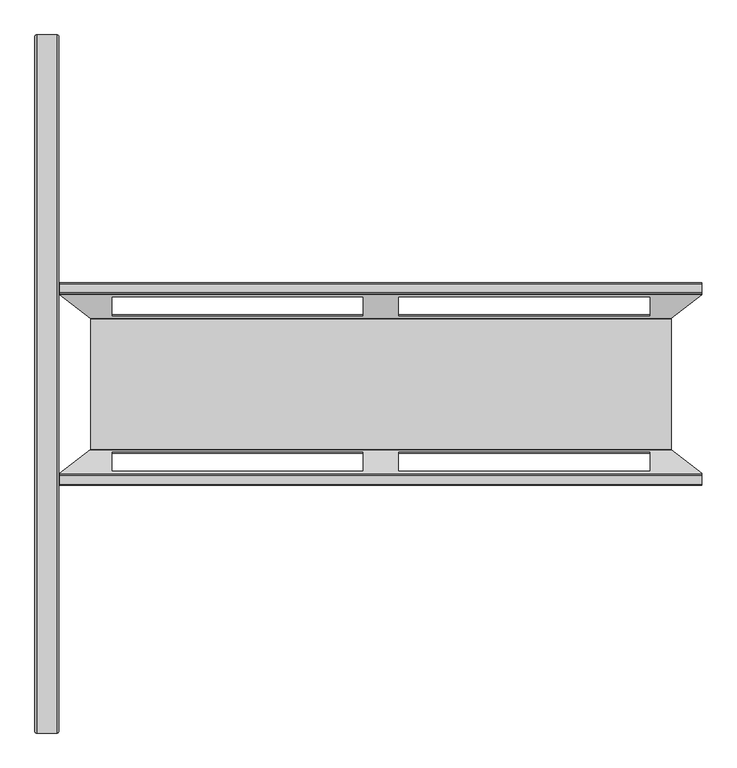
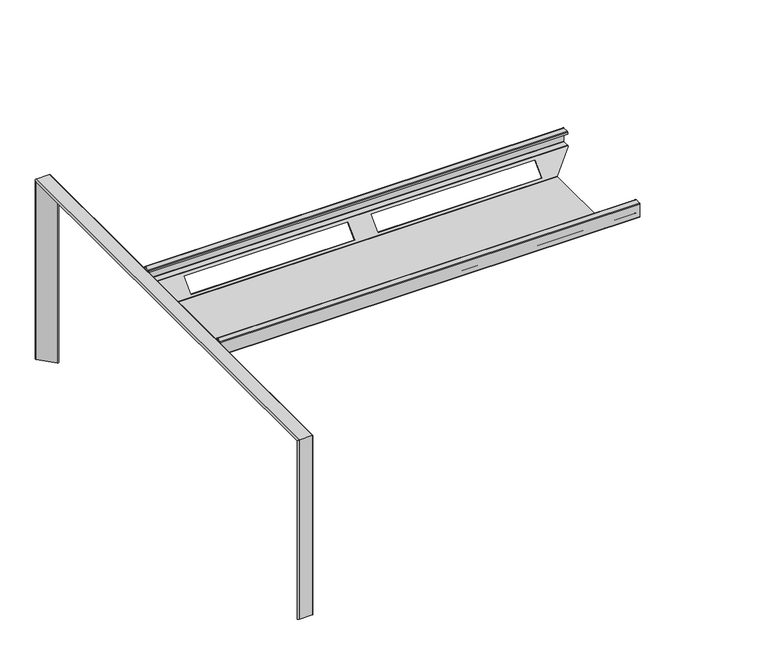
"""IFC4 building model written with IfcOpenShell, lengths in millimetres: furniture geometry."""

from ifc_helpers import new_model, si_unit, frame, origin, place, context, project, spatial, polyline, circle_curve, ellipse_curve, source, transform, mapped, element, save
from ifc_brep_helpers import plane_surface, cylinder_surface, revolved_surface, advanced_brep


def furniture_19140f19(model_context):
    return source(origin(), model_context, "Body", "AdvancedBrep", [
        advanced_brep(
        [(742.0000291, 209.1698367, 644.4158452), (742.0000291, 209.8769435, 644.7087384), (742.0000291, 231.9627061, 644.7087384), (742.0000291, 234.4627061, 647.2087384), (742.0000291, 234.4627061, 694.7085606), (742.0000291, 231.9625212, 697.2087455), (742.0000291, 211.9508375, 697.2087455), (742.0000291, 209.4628034, 694.7207114), (742.0000291, 209.4628034, 688.2088182), (742.0000291, 211.0628034, 688.2088182), (742.0000291, 211.0628034, 694.7207114), (742.0000291, 211.9508375, 695.6087455), (742.0000291, 231.9625212, 695.6087455), (742.0000291, 232.8627061, 694.7085606), (742.0000291, 232.8627061, 647.2087384), (742.0000291, 231.9627061, 646.3087384), (742.0000291, 209.8769435, 646.3087384), (742.0000291, 208.0384658, 645.5472161), (742.0000291, 206.5203825, 644.0291328), (742.0000291, 208.7831242, 644.0291328), (742.0000291, -207.1384513, 645.5472161), (742.0000291, -208.976929, 646.3087384), (742.0000291, -231.0626916, 646.3087384), (742.0000291, -231.9626916, 647.2087384), (742.0000291, -231.9626916, 694.7085606), (742.0000291, -231.0625067, 695.6087455), (742.0000291, -211.050823, 695.6087455), (742.0000291, -210.1627889, 694.7207114), (742.0000291, -210.1627889, 688.2088182), (742.0000291, -208.5627889, 688.2088182), (742.0000291, -208.5627889, 694.7207114), (742.0000291, -211.050823, 697.2087455), (742.0000291, -231.0625067, 697.2087455), (742.0000291, -233.5626916, 694.7085606), (742.0000291, -233.5626916, 647.2087384), (742.0000291, -231.0626916, 644.7087384), (742.0000291, -208.976929, 644.7087384), (742.0000291, -208.2698222, 644.4158452), (742.0000291, -207.8831097, 644.0291328), (742.0000291, -205.620368, 644.0291328), (-742.0000338, -208.2698222, 644.4158452), (-742.0000338, -208.976929, 644.7087384), (-742.0000338, -231.0626916, 644.7087384), (-742.0000338, -233.5626916, 647.2087384), (-742.0000338, -233.5626916, 694.7085606), (-742.0000338, -231.0625067, 697.2087455), (-742.0000338, -211.050823, 697.2087455), (-742.0000338, -208.5627889, 694.7207114), (-742.0000338, -208.5627889, 688.2088182), (-742.0000338, -210.1627889, 688.2088182), (-742.0000338, -210.1627889, 694.7207114), (-742.0000338, -211.050823, 695.6087455), (-742.0000338, -231.0625067, 695.6087455), (-742.0000338, -231.9626916, 694.7085606), (-742.0000338, -231.9626916, 647.2087384), (-742.0000338, -231.0626916, 646.3087384), (-742.0000338, -208.976929, 646.3087384), (-742.0000338, -207.1384513, 645.5472161), (-742.0000338, -205.620368, 644.0291328), (-742.0000338, -207.8831097, 644.0291328), (-742.0000338, 208.0384658, 645.5472161), (-742.0000338, 209.8769435, 646.3087384), (-742.0000338, 231.9627061, 646.3087384), (-742.0000338, 232.8627061, 647.2087384), (-742.0000338, 232.8627061, 694.7085606), (-742.0000338, 231.9625212, 695.6087455), (-742.0000338, 211.9508375, 695.6087455), (-742.0000338, 211.0628034, 694.7207114), (-742.0000338, 211.0628034, 688.2088182), (-742.0000338, 209.4628034, 688.2088182), (-742.0000338, 209.4628034, 694.7207114), (-742.0000338, 211.9508375, 697.2087455), (-742.0000338, 231.9625212, 697.2087455), (-742.0000338, 234.4627061, 694.7085606), (-742.0000338, 234.4627061, 647.2087384), (-742.0000338, 231.9627061, 644.7087384), (-742.0000338, 209.8769435, 644.7087384), (-742.0000338, 209.1698367, 644.4158452), (-742.0000338, 208.7831242, 644.0291328), (-742.0000338, 206.5203825, 644.0291328), (669.1959413, -150.5324381, 587.7087715), (-669.1959459, -150.5324381, 587.7087715), (-669.1959459, 151.4324526, 587.7087715), (669.1959413, 151.4324526, 587.7087715), (-670.1377129, 153.1913025, 588.437311), (670.1377082, 153.1913025, 588.437311), (-621.5000006, 203.1594941, 638.4055027), (-621.5000006, 160.2660683, 595.5120769), (-41.4999934, 160.2660683, 595.5120769), (-41.4999934, 203.1594941, 638.4055027), (41.4999888, 160.2660683, 595.5120769), (621.4999959, 160.2660683, 595.5120769), (621.4999959, 203.1594941, 638.4055027), (41.4999888, 203.1594941, 638.4055027), (-671.6428472, 152.0929145, 589.6016648), (671.6428426, 152.0929145, 589.6016648), (-621.5000006, 158.0033266, 595.5120769), (-621.5000006, 200.8967524, 638.4055027), (-41.4999934, 200.8967524, 638.4055027), (-41.4999934, 158.0033266, 595.5120769), (621.4999959, 158.0033266, 595.5120769), (41.4999888, 158.0033266, 595.5120769), (41.4999888, 200.8967524, 638.4055027), (621.4999959, 200.8967524, 638.4055027), (-671.2642306, 151.3858077, 589.3087715), (671.264226, 151.3858077, 589.3087715), (-671.2642306, -150.4857933, 589.3087715), (671.264226, -150.4857933, 589.3087715), (-671.6428472, -151.1929, 589.6016648), (671.6428426, -151.1929, 589.6016648), (-621.5000006, -199.9967379, 638.4055027), (-621.5000006, -157.1033121, 595.5120769), (-41.4999934, -157.1033121, 595.5120769), (-41.4999934, -199.9967379, 638.4055027), (41.4999888, -157.1033121, 595.5120769), (621.4999959, -157.1033121, 595.5120769), (621.4999959, -199.9967379, 638.4055027), (41.4999888, -199.9967379, 638.4055027), (-670.1377129, -152.291288, 588.437311), (670.1377082, -152.291288, 588.437311), (-621.5000006, -159.3660538, 595.5120769), (-621.5000006, -202.2594796, 638.4055027), (-41.4999934, -202.2594796, 638.4055027), (-41.4999934, -159.3660538, 595.5120769), (621.4999959, -159.3660538, 595.5120769), (41.4999888, -159.3660538, 595.5120769), (41.4999888, -202.2594796, 638.4055027), (621.4999959, -202.2594796, 638.4055027)],
        [
            (0, 1, circle_curve(frame((742.0000291, 209.8769435, 643.7087384), z_axis=(-1.0, 0.0, 0.0), x_axis=(0.0, 1.0, 0.0)), 1.0)),
            (1, 2),
            (2, 3, circle_curve(frame((742.0000291, 231.9627061, 647.2087384), z_axis=(1.0, 0.0, 0.0), x_axis=(0.0, 1.0, 0.0)), 2.5)),
            (3, 4),
            (4, 5, circle_curve(frame((742.0000291, 231.9625212, 694.7085606), z_axis=(1.0, 0.0, 0.0), x_axis=(0.0, 1.0, 0.0)), 2.5001849)),
            (5, 6),
            (6, 7, circle_curve(frame((742.0000291, 211.9508375, 694.7207114), z_axis=(1.0, 0.0, 0.0), x_axis=(0.0, 1.0, 0.0)), 2.4880341)),
            (7, 8),
            (8, 9),
            (9, 10),
            (10, 11, circle_curve(frame((742.0000291, 211.9508375, 694.7207114), z_axis=(-1.0, 0.0, 0.0), x_axis=(0.0, 1.0, 0.0)), 0.8880341)),
            (11, 12),
            (12, 13, circle_curve(frame((742.0000291, 231.9625212, 694.7085606), z_axis=(-1.0, 0.0, 0.0), x_axis=(0.0, 1.0, 0.0)), 0.9001849)),
            (13, 14),
            (14, 15, circle_curve(frame((742.0000291, 231.9627061, 647.2087384), z_axis=(-1.0, 0.0, 0.0), x_axis=(0.0, 1.0, 0.0)), 0.9)),
            (15, 16),
            (16, 17, circle_curve(frame((742.0000291, 209.8769435, 643.7087384), z_axis=(1.0, 0.0, 0.0), x_axis=(0.0, 1.0, 0.0)), 2.6)),
            (17, 18),
            (18, 19),
            (19, 0),
            (20, 21, circle_curve(frame((742.0000291, -208.976929, 643.7087384), z_axis=(1.0, 0.0, 0.0), x_axis=(0.0, 1.0, 0.0)), 2.6)),
            (21, 22),
            (22, 23, circle_curve(frame((742.0000291, -231.0626916, 647.2087384), z_axis=(-1.0, 0.0, 0.0), x_axis=(0.0, 1.0, 0.0)), 0.9)),
            (23, 24),
            (24, 25, circle_curve(frame((742.0000291, -231.0625067, 694.7085606), z_axis=(-1.0, 0.0, 0.0), x_axis=(0.0, 1.0, 0.0)), 0.9001849)),
            (25, 26),
            (26, 27, circle_curve(frame((742.0000291, -211.050823, 694.7207114), z_axis=(-1.0, 0.0, 0.0), x_axis=(0.0, 1.0, 0.0)), 0.8880341)),
            (27, 28),
            (28, 29),
            (29, 30),
            (30, 31, circle_curve(frame((742.0000291, -211.050823, 694.7207114), z_axis=(1.0, 0.0, 0.0), x_axis=(0.0, 1.0, 0.0)), 2.4880341)),
            (31, 32),
            (32, 33, circle_curve(frame((742.0000291, -231.0625067, 694.7085606), z_axis=(1.0, 0.0, 0.0), x_axis=(0.0, 1.0, 0.0)), 2.5001849)),
            (33, 34),
            (34, 35, circle_curve(frame((742.0000291, -231.0626916, 647.2087384), z_axis=(1.0, 0.0, 0.0), x_axis=(0.0, 1.0, 0.0)), 2.5)),
            (35, 36),
            (36, 37, circle_curve(frame((742.0000291, -208.976929, 643.7087384), z_axis=(-1.0, 0.0, 0.0), x_axis=(0.0, 1.0, 0.0)), 1.0)),
            (37, 38),
            (38, 39),
            (39, 20),
            (40, 41, circle_curve(frame((-742.0000338, -208.976929, 643.7087384), z_axis=(1.0, 0.0, 0.0), x_axis=(0.0, 1.0, 0.0)), 1.0)),
            (41, 42),
            (42, 43, circle_curve(frame((-742.0000338, -231.0626916, 647.2087384), z_axis=(-1.0, 0.0, 0.0), x_axis=(0.0, 1.0, 0.0)), 2.5)),
            (43, 44),
            (44, 45, circle_curve(frame((-742.0000338, -231.0625067, 694.7085606), z_axis=(-1.0, 0.0, 0.0), x_axis=(0.0, 1.0, 0.0)), 2.5001849)),
            (45, 46),
            (46, 47, circle_curve(frame((-742.0000338, -211.050823, 694.7207114), z_axis=(-1.0, 0.0, 0.0), x_axis=(0.0, 1.0, 0.0)), 2.4880341)),
            (47, 48),
            (48, 49),
            (49, 50),
            (50, 51, circle_curve(frame((-742.0000338, -211.050823, 694.7207114), z_axis=(1.0, 0.0, 0.0), x_axis=(0.0, 1.0, 0.0)), 0.8880341)),
            (51, 52),
            (52, 53, circle_curve(frame((-742.0000338, -231.0625067, 694.7085606), z_axis=(1.0, 0.0, 0.0), x_axis=(0.0, 1.0, 0.0)), 0.9001849)),
            (53, 54),
            (54, 55, circle_curve(frame((-742.0000338, -231.0626916, 647.2087384), z_axis=(1.0, 0.0, 0.0), x_axis=(0.0, 1.0, 0.0)), 0.9)),
            (55, 56),
            (56, 57, circle_curve(frame((-742.0000338, -208.976929, 643.7087384), z_axis=(-1.0, 0.0, 0.0), x_axis=(0.0, 1.0, 0.0)), 2.6)),
            (57, 58),
            (58, 59),
            (59, 40),
            (60, 61, circle_curve(frame((-742.0000338, 209.8769435, 643.7087384), z_axis=(-1.0, 0.0, 0.0), x_axis=(0.0, 1.0, 0.0)), 2.6)),
            (61, 62),
            (62, 63, circle_curve(frame((-742.0000338, 231.9627061, 647.2087384), z_axis=(1.0, 0.0, 0.0), x_axis=(0.0, 1.0, 0.0)), 0.9)),
            (63, 64),
            (64, 65, circle_curve(frame((-742.0000338, 231.9625212, 694.7085606), z_axis=(1.0, 0.0, 0.0), x_axis=(0.0, 1.0, 0.0)), 0.9001849)),
            (65, 66),
            (66, 67, circle_curve(frame((-742.0000338, 211.9508375, 694.7207114), z_axis=(1.0, 0.0, 0.0), x_axis=(0.0, 1.0, 0.0)), 0.8880341)),
            (67, 68),
            (68, 69),
            (69, 70),
            (70, 71, circle_curve(frame((-742.0000338, 211.9508375, 694.7207114), z_axis=(-1.0, 0.0, 0.0), x_axis=(0.0, 1.0, 0.0)), 2.4880341)),
            (71, 72),
            (72, 73, circle_curve(frame((-742.0000338, 231.9625212, 694.7085606), z_axis=(-1.0, 0.0, 0.0), x_axis=(0.0, 1.0, 0.0)), 2.5001849)),
            (73, 74),
            (74, 75, circle_curve(frame((-742.0000338, 231.9627061, 647.2087384), z_axis=(-1.0, 0.0, 0.0), x_axis=(0.0, 1.0, 0.0)), 2.5)),
            (75, 76),
            (76, 77, circle_curve(frame((-742.0000338, 209.8769435, 643.7087384), z_axis=(1.0, 0.0, 0.0), x_axis=(0.0, 1.0, 0.0)), 1.0)),
            (77, 78),
            (78, 79),
            (79, 60),
            (80, 81),
            (81, 82),
            (82, 83),
            (83, 80),
            (82, 84, ellipse_curve(frame((-672.4113394, 151.4324526, 590.196161), z_axis=(0.6118736301156549, 0.0, 0.7909555365310309), x_axis=(0.7909555365310308, 0.0, -0.611873630115655)), 4.0652013, 2.4873895)),
            (84, 85),
            (85, 83, ellipse_curve(frame((672.4113347, 151.4324526, 590.196161), z_axis=(-0.6118736301156339, 0.0, 0.790955536531047), x_axis=(0.7909555365310468, 0.0, 0.6118736301156339)), 4.0652013, 2.4873895)),
            (77, 0),
            (19, 85),
            (84, 78),
            (86, 87),
            (87, 88),
            (88, 89),
            (89, 86),
            (90, 91),
            (91, 92),
            (92, 93),
            (93, 90),
            (76, 1),
            (75, 2),
            (74, 3),
            (73, 4),
            (72, 5),
            (71, 6),
            (70, 7),
            (69, 8),
            (68, 9),
            (67, 10),
            (66, 11),
            (65, 12),
            (64, 13),
            (63, 14),
            (62, 15),
            (61, 16),
            (60, 17),
            (79, 94),
            (94, 95),
            (95, 18),
            (96, 97),
            (97, 98),
            (98, 99),
            (99, 96),
            (100, 101),
            (101, 102),
            (102, 103),
            (103, 100),
            (94, 104, ellipse_curve(frame((-672.5569085, 151.3858077, 590.3087715), z_axis=(-0.6118736301156549, 0.0, -0.7909555365310309), x_axis=(-0.7909555365310308, 0.0, 0.611873630115655)), 1.6343244, 1.0)),
            (104, 105),
            (105, 95, ellipse_curve(frame((672.5569039, 151.3858077, 590.3087715), z_axis=(0.6118736301156339, 0.0, -0.790955536531047), x_axis=(-0.7909555365310468, 0.0, -0.6118736301156339)), 1.6343244, 1.0)),
            (104, 106),
            (106, 107),
            (107, 105),
            (106, 108, ellipse_curve(frame((-672.5569085, -150.4857933, 590.3087715), z_axis=(-0.6118736301156549, 0.0, -0.7909555365310309), x_axis=(-0.7909555365310308, 0.0, 0.611873630115655)), 1.6343244, 1.0)),
            (108, 109),
            (109, 107, ellipse_curve(frame((672.5569039, -150.4857933, 590.3087715), z_axis=(0.6118736301156339, 0.0, -0.790955536531047), x_axis=(-0.7909555365310468, 0.0, -0.6118736301156339)), 1.6343244, 1.0)),
            (57, 20),
            (39, 109),
            (108, 58),
            (110, 111),
            (111, 112),
            (112, 113),
            (113, 110),
            (114, 115),
            (115, 116),
            (116, 117),
            (117, 114),
            (56, 21),
            (55, 22),
            (54, 23),
            (53, 24),
            (52, 25),
            (51, 26),
            (50, 27),
            (49, 28),
            (48, 29),
            (47, 30),
            (46, 31),
            (45, 32),
            (44, 33),
            (43, 34),
            (42, 35),
            (41, 36),
            (40, 37),
            (59, 118),
            (118, 119),
            (119, 38),
            (120, 121),
            (121, 122),
            (122, 123),
            (123, 120),
            (124, 125),
            (125, 126),
            (126, 127),
            (127, 124),
            (80, 119, ellipse_curve(frame((672.4113347, -150.5324381, 590.196161), z_axis=(-0.6118736301156339, 0.0, 0.790955536531047), x_axis=(0.7909555365310468, 0.0, 0.6118736301156339)), 4.0652013, 2.4873895)),
            (118, 81, ellipse_curve(frame((-672.4113394, -150.5324381, 590.196161), z_axis=(0.6118736301156549, 0.0, 0.7909555365310309), x_axis=(0.7909555365310308, 0.0, -0.611873630115655)), 4.0652013, 2.4873895)),
            (96, 87),
            (86, 97),
            (120, 111),
            (110, 121),
            (89, 98),
            (113, 122),
            (88, 99),
            (112, 123),
            (100, 91),
            (90, 101),
            (124, 115),
            (114, 125),
            (93, 102),
            (117, 126),
            (92, 103),
            (116, 127),
        ],
        [
            plane_surface(frame((742.0000291, 151.4324526, 587.7087715), z_axis=(1.0, 0.0, 0.0), x_axis=(0.0, 1.0, 0.0))),
            plane_surface(frame((-742.0000338, 151.4324526, 587.7087715), z_axis=(-1.0, 0.0, 0.0), x_axis=(0.0, -1.0, 0.0))),
            plane_surface(frame((742.0000291, -150.5324381, 587.7087715), z_axis=(0.0, 0.0, -1.0), x_axis=(-1.0, 0.0, 0.0))),
            cylinder_surface(frame((-742.0000338, 151.4324526, 590.196161), z_axis=(1.0, 0.0, 0.0), x_axis=(0.0, 1.0, 0.0)), 2.4873895),
            plane_surface(frame((742.0000291, 153.1913025, 588.437311), z_axis=(0.0, 0.7071067811865575, -0.7071067811865378), x_axis=(-1.0, 0.0, 0.0))),
            revolved_surface(polyline([(-742.0000338, 210.8769435, 643.7087384), (742.0000291000001, 210.8769435, 643.7087384)]), (-742.0000338, 209.8769435, 643.7087384), (-1.0, 0.0, 0.0)),
            plane_surface(frame((742.0000291, 209.8769435, 644.7087384), z_axis=(0.0, 0.0, -1.0), x_axis=(-1.0, 0.0, 0.0))),
            cylinder_surface(frame((-742.0000338, 231.9627061, 647.2087384), z_axis=(1.0, 0.0, 0.0), x_axis=(0.0, 1.0, 0.0)), 2.5),
            plane_surface(frame((742.0000291, 234.4627061, 647.2087384), z_axis=(0.0, 1.0, 0.0), x_axis=(-1.0, 0.0, 0.0))),
            cylinder_surface(frame((-742.0000338, 231.9625212, 694.7085606), z_axis=(1.0, 0.0, 0.0), x_axis=(0.0, 1.0, 0.0)), 2.5001849),
            plane_surface(frame((742.0000291, 231.9625212, 697.2087455), z_axis=(0.0, 0.0, 1.0), x_axis=(-1.0, 0.0, 0.0))),
            cylinder_surface(frame((-742.0000338, 211.9508375, 694.7207114), z_axis=(1.0, 0.0, 0.0), x_axis=(0.0, 1.0, 0.0)), 2.4880341),
            plane_surface(frame((742.0000291, 209.4628034, 694.7207114), z_axis=(0.0, -1.0, 0.0), x_axis=(-1.0, 0.0, 0.0))),
            plane_surface(frame((742.0000291, 209.4628034, 688.2088182), z_axis=(0.0, 0.0, -1.0), x_axis=(-1.0, 0.0, 0.0))),
            plane_surface(frame((742.0000291, 211.0628034, 688.2088182), z_axis=(0.0, 1.0, 0.0), x_axis=(-1.0, 0.0, 0.0))),
            revolved_surface(polyline([(-742.0000338, 212.8388716, 694.7207114), (742.0000291000001, 212.8388716, 694.7207114)]), (-742.0000338, 211.9508375, 694.7207114), (-1.0, 0.0, 0.0)),
            plane_surface(frame((742.0000291, 211.9508375, 695.6087455), z_axis=(0.0, 0.0, -1.0), x_axis=(-1.0, 0.0, 0.0))),
            revolved_surface(polyline([(-742.0000338, 232.8627061, 694.7085606), (742.0000291000001, 232.8627061, 694.7085606)]), (-742.0000338, 231.9625212, 694.7085606), (-1.0, 0.0, 0.0)),
            plane_surface(frame((742.0000291, 232.8627061, 694.7085606), z_axis=(0.0, -1.0, 0.0), x_axis=(-1.0, 0.0, 0.0))),
            revolved_surface(polyline([(-742.0000338, 232.8627061, 647.2087384), (742.0000291000001, 232.8627061, 647.2087384)]), (-742.0000338, 231.9627061, 647.2087384), (-1.0, 0.0, 0.0)),
            plane_surface(frame((742.0000291, 231.9627061, 646.3087384), z_axis=(0.0, 0.0, 1.0), x_axis=(-1.0, 0.0, 0.0))),
            cylinder_surface(frame((-742.0000338, 209.8769435, 643.7087384), z_axis=(1.0, 0.0, 0.0), x_axis=(0.0, 1.0, 0.0)), 2.6),
            plane_surface(frame((742.0000291, 208.0384658, 645.5472161), z_axis=(0.0, -0.7071067811865486, 0.7071067811865465), x_axis=(-1.0, 0.0, 0.0))),
            revolved_surface(polyline([(-673.8495864326677, 152.3858077, 590.3087715), (673.8495818326678, 152.3858077, 590.3087715)]), (-742.0000338, 151.3858077, 590.3087715), (-1.0, 0.0, 0.0)),
            plane_surface(frame((742.0000291, 151.3858077, 589.3087715), z_axis=(0.0, 0.0, 1.0), x_axis=(-1.0, 0.0, 0.0))),
            revolved_surface(polyline([(-673.8495864326677, -149.4857933, 590.3087715), (673.8495818326678, -149.4857933, 590.3087715)]), (-742.0000338, -150.4857933, 590.3087715), (-1.0, 0.0, 0.0)),
            plane_surface(frame((742.0000291, -151.1929, 589.6016648), z_axis=(0.0, 0.7071067811865677, 0.7071067811865275), x_axis=(-1.0, 0.0, 0.0))),
            cylinder_surface(frame((-742.0000338, -208.976929, 643.7087384), z_axis=(1.0, 0.0, 0.0), x_axis=(0.0, 1.0, 0.0)), 2.6),
            plane_surface(frame((742.0000291, -208.976929, 646.3087384), z_axis=(0.0, 0.0, 1.0), x_axis=(-1.0, 0.0, 0.0))),
            revolved_surface(polyline([(-742.0000338, -230.1626916, 647.2087384), (742.0000291000001, -230.1626916, 647.2087384)]), (-742.0000338, -231.0626916, 647.2087384), (-1.0, 0.0, 0.0)),
            plane_surface(frame((742.0000291, -231.9626916, 647.2087384), z_axis=(0.0, 1.0, 0.0), x_axis=(-1.0, 0.0, 0.0))),
            revolved_surface(polyline([(-742.0000338, -230.1623218, 694.7085606), (742.0000291000001, -230.1623218, 694.7085606)]), (-742.0000338, -231.0625067, 694.7085606), (-1.0, 0.0, 0.0)),
            plane_surface(frame((742.0000291, -231.0625067, 695.6087455), z_axis=(0.0, 0.0, -1.0), x_axis=(-1.0, 0.0, 0.0))),
            revolved_surface(polyline([(-742.0000338, -210.1627889, 694.7207114), (742.0000291000001, -210.1627889, 694.7207114)]), (-742.0000338, -211.050823, 694.7207114), (-1.0, 0.0, 0.0)),
            plane_surface(frame((742.0000291, -210.1627889, 694.7207114), z_axis=(0.0, -1.0, 0.0), x_axis=(-1.0, 0.0, 0.0))),
            plane_surface(frame((742.0000291, -210.1627889, 688.2088182), z_axis=(0.0, 0.0, -1.0), x_axis=(-1.0, 0.0, 0.0))),
            plane_surface(frame((742.0000291, -208.5627889, 688.2088182), z_axis=(0.0, 1.0, 0.0), x_axis=(-1.0, 0.0, 0.0))),
            cylinder_surface(frame((-742.0000338, -211.050823, 694.7207114), z_axis=(1.0, 0.0, 0.0), x_axis=(0.0, 1.0, 0.0)), 2.4880341),
            plane_surface(frame((742.0000291, -211.050823, 697.2087455), z_axis=(0.0, 0.0, 1.0), x_axis=(-1.0, 0.0, 0.0))),
            cylinder_surface(frame((-742.0000338, -231.0625067, 694.7085606), z_axis=(1.0, 0.0, 0.0), x_axis=(0.0, 1.0, 0.0)), 2.5001849),
            plane_surface(frame((742.0000291, -233.5626916, 694.7085606), z_axis=(0.0, -1.0, 0.0), x_axis=(-1.0, 0.0, 0.0))),
            cylinder_surface(frame((-742.0000338, -231.0626916, 647.2087384), z_axis=(1.0, 0.0, 0.0), x_axis=(0.0, 1.0, 0.0)), 2.5),
            plane_surface(frame((742.0000291, -231.0626916, 644.7087384), z_axis=(0.0, 0.0, -1.0), x_axis=(-1.0, 0.0, 0.0))),
            revolved_surface(polyline([(-742.0000338, -207.976929, 643.7087384), (742.0000291000001, -207.976929, 643.7087384)]), (-742.0000338, -208.976929, 643.7087384), (-1.0, 0.0, 0.0)),
            plane_surface(frame((742.0000291, -208.2698222, 644.4158452), z_axis=(0.0, -0.7071067811865487, -0.7071067811865464), x_axis=(-1.0, 0.0, 0.0))),
            cylinder_surface(frame((-742.0000338, -150.5324381, 590.196161), z_axis=(1.0, 0.0, 0.0), x_axis=(0.0, 1.0, 0.0)), 2.4873895),
            plane_surface(frame((-747.0881727, 348.8897507, 647.9652554), z_axis=(-0.6118736301156549, 0.0, -0.7909555365310309), x_axis=(0.0, -1.0, 0.0))),
            plane_surface(frame((-621.5000006, 348.8897507, 595.5120769), z_axis=(1.0, 0.0, 0.0), x_axis=(0.0, -1.0, 0.0))),
            plane_surface(frame((-621.5000006, 348.8897507, 638.4055027), z_axis=(0.0, 0.0, -1.0), x_axis=(0.0, -1.0, 0.0))),
            plane_surface(frame((-41.4999934, 348.8897507, 638.4055027), z_axis=(-1.0, 0.0, 0.0), x_axis=(0.0, -1.0, 0.0))),
            plane_surface(frame((-41.4999934, 348.8897507, 595.5120769), z_axis=(0.0, 0.0, 1.0), x_axis=(0.0, -1.0, 0.0))),
            plane_surface(frame((665.2576318, 348.8897507, 584.662143), z_axis=(0.6118736301156339, 0.0, -0.790955536531047), x_axis=(0.0, -1.0, 0.0))),
            plane_surface(frame((621.4999959, 348.8897507, 595.5120769), z_axis=(0.0, 0.0, 1.0), x_axis=(0.0, -1.0, 0.0))),
            plane_surface(frame((41.4999888, 348.8897507, 595.5120769), z_axis=(1.0, 0.0, 0.0), x_axis=(0.0, -1.0, 0.0))),
            plane_surface(frame((41.4999888, 348.8897507, 638.4055027), z_axis=(0.0, 0.0, -1.0), x_axis=(0.0, -1.0, 0.0))),
            plane_surface(frame((621.4999959, 348.8897507, 638.4055027), z_axis=(-1.0, 0.0, 0.0), x_axis=(0.0, -1.0, 0.0))),
        ],
        [
            (0, [[1, 2, 3, 4, 5, 6, 7, 8, 9, 10, 11, 12, 13, 14, 15, 16, 17, 18, 19, 20]]),
            (0, [[21, 22, 23, 24, 25, 26, 27, 28, 29, 30, 31, 32, 33, 34, 35, 36, 37, 38, 39, 40]]),
            (1, [[41, 42, 43, 44, 45, 46, 47, 48, 49, 50, 51, 52, 53, 54, 55, 56, 57, 58, 59, 60]]),
            (1, [[61, 62, 63, 64, 65, 66, 67, 68, 69, 70, 71, 72, 73, 74, 75, 76, 77, 78, 79, 80]]),
            (2, [[81, 82, 83, 84]]),
            (3, [[-83, 85, 86, 87]]),
            (4, [[88, -20, 89, -86, 90, -78], [91, 92, 93, 94], [95, 96, 97, 98]]),
            (5, [[-1, -88, -77, 99]]),
            (6, [[-2, -99, -76, 100]]),
            (7, [[-3, -100, -75, 101]]),
            (8, [[-4, -101, -74, 102]]),
            (9, [[-5, -102, -73, 103]]),
            (10, [[-6, -103, -72, 104]]),
            (11, [[-7, -104, -71, 105]]),
            (12, [[-8, -105, -70, 106]]),
            (13, [[-9, -106, -69, 107]]),
            (14, [[-10, -107, -68, 108]]),
            (15, [[-11, -108, -67, 109]]),
            (16, [[-12, -109, -66, 110]]),
            (17, [[-13, -110, -65, 111]]),
            (18, [[-14, -111, -64, 112]]),
            (19, [[-15, -112, -63, 113]]),
            (20, [[-16, -113, -62, 114]]),
            (21, [[-17, -114, -61, 115]]),
            (22, [[-115, -80, 116, 117, 118, -18], [119, 120, 121, 122], [123, 124, 125, 126]]),
            (23, [[-117, 127, 128, 129]]),
            (24, [[-128, 130, 131, 132]]),
            (25, [[-131, 133, 134, 135]]),
            (26, [[136, -40, 137, -134, 138, -58], [139, 140, 141, 142], [143, 144, 145, 146]]),
            (27, [[-21, -136, -57, 147]]),
            (28, [[-22, -147, -56, 148]]),
            (29, [[-23, -148, -55, 149]]),
            (30, [[-24, -149, -54, 150]]),
            (31, [[-25, -150, -53, 151]]),
            (32, [[-26, -151, -52, 152]]),
            (33, [[-27, -152, -51, 153]]),
            (34, [[-28, -153, -50, 154]]),
            (35, [[-29, -154, -49, 155]]),
            (36, [[-30, -155, -48, 156]]),
            (37, [[-31, -156, -47, 157]]),
            (38, [[-32, -157, -46, 158]]),
            (39, [[-33, -158, -45, 159]]),
            (40, [[-34, -159, -44, 160]]),
            (41, [[-35, -160, -43, 161]]),
            (42, [[-36, -161, -42, 162]]),
            (43, [[-37, -162, -41, 163]]),
            (44, [[-163, -60, 164, 165, 166, -38], [167, 168, 169, 170], [171, 172, 173, 174]]),
            (45, [[-81, 175, -165, 176]]),
            (46, [[-59, -138, -133, -130, -127, -116, -79, -90, -85, -82, -176, -164]]),
            (47, [[177, -91, 178, -119]]),
            (47, [[179, -139, 180, -167]]),
            (48, [[-178, -94, 181, -120]]),
            (48, [[-180, -142, 182, -168]]),
            (49, [[-181, -93, 183, -121]]),
            (49, [[-182, -141, 184, -169]]),
            (50, [[-177, -122, -183, -92]]),
            (50, [[-179, -170, -184, -140]]),
            (51, [[-19, -118, -129, -132, -135, -137, -39, -166, -175, -84, -87, -89]]),
            (52, [[185, -95, 186, -123]]),
            (52, [[187, -143, 188, -171]]),
            (53, [[-186, -98, 189, -124]]),
            (53, [[-188, -146, 190, -172]]),
            (54, [[-189, -97, 191, -125]]),
            (54, [[-190, -145, 192, -173]]),
            (55, [[-185, -126, -191, -96]]),
            (55, [[-187, -174, -192, -144]]),
        ],
    ),
        advanced_brep(
        [(-751.8815082, 753.7247064, 23.2194007), (-798.7974668, 800.640665, 23.2194007), (-795.9562342, 807.5000072, 23.2194007), (-748.9999549, 807.5000072, 23.2194007), (-744.9999549, 803.5000072, 23.2194007), (-744.9999549, 756.5751391, 23.2194007), (-751.8815082, 753.7247064, 641.9834446), (-798.7974668, 800.640665, 688.8994032), (-795.9562342, 807.5000072, 695.7587455), (-748.9999549, 807.5000072, 695.7587455), (-744.9999549, 803.5000072, 691.7587455), (-744.9999549, -802.5999928, 691.7587455), (-744.9999549, -802.5999928, 23.2273539), (-744.9999549, -755.6751246, 23.2273539), (-744.9999549, -755.6751246, 644.8338773), (-744.9999549, 756.5751391, 644.8338773), (-751.8815082, -752.8246919, 641.9834446), (-798.7974668, -799.7406505, 688.8994032), (-795.9562342, -806.5999928, 695.7587455), (-748.9999549, -806.5999928, 695.7587455), (-751.8815082, -752.8246919, 23.2273539), (-748.9999549, -806.5999928, 23.2273539), (-795.9562342, -806.5999928, 23.2273539), (-798.7974668, -799.7406505, 23.2273539)],
        [
            (0, 1),
            (1, 2, circle_curve(frame((-795.9562342, 803.4818976, 23.2194007), z_axis=(0.0, 0.0, -1.0), x_axis=(0.0, 1.0, 0.0)), 4.0181097)),
            (2, 3),
            (3, 4, circle_curve(frame((-748.9999549, 803.5000072, 23.2194007), z_axis=(0.0, 0.0, -1.0), x_axis=(0.0, 1.0, 0.0)), 4.0)),
            (4, 5),
            (5, 0, circle_curve(frame((-749.0310755, 756.5751391, 23.2194007), z_axis=(0.0, 0.0, -1.0), x_axis=(0.0, 1.0, 0.0)), 4.0311206)),
            (0, 6),
            (6, 7),
            (7, 1),
            (7, 8, ellipse_curve(frame((-795.9562342, 803.4818976, 691.7406358), z_axis=(0.0, 0.7071067811865475, -0.7071067811865475), x_axis=(0.0, -0.7071067811865474, -0.7071067811865476)), 5.6824652, 4.0181097)),
            (8, 2),
            (8, 9),
            (9, 3),
            (9, 10, ellipse_curve(frame((-748.9999549, 803.5000072, 691.7587455), z_axis=(0.0, 0.7071067811865475, -0.7071067811865475), x_axis=(0.0, -0.7071067811865474, -0.7071067811865476)), 5.6568542, 4.0)),
            (10, 4),
            (10, 11),
            (11, 12),
            (12, 13),
            (13, 14),
            (14, 15),
            (15, 5),
            (15, 6, ellipse_curve(frame((-749.0310755, 756.5751391, 644.8338773), z_axis=(0.0, 0.7071067811865475, -0.7071067811865475), x_axis=(0.0, -0.7071067811865474, -0.7071067811865476)), 5.7008654, 4.0311206)),
            (6, 16),
            (16, 17),
            (17, 7),
            (17, 18, ellipse_curve(frame((-795.9562342, -802.5818831, 691.7406358), z_axis=(0.0, 0.7071067811865475, 0.7071067811865475), x_axis=(0.0, 0.7071067811865476, -0.7071067811865474)), 5.6824652, 4.0181097)),
            (18, 8),
            (18, 19),
            (19, 9),
            (19, 11, ellipse_curve(frame((-748.9999549, -802.5999928, 691.7587455), z_axis=(0.0, 0.7071067811865475, 0.7071067811865475), x_axis=(0.0, 0.7071067811865476, -0.7071067811865474)), 5.6568542, 4.0)),
            (14, 16, ellipse_curve(frame((-749.0310755, -755.6751246, 644.8338773), z_axis=(0.0, 0.7071067811865475, 0.7071067811865475), x_axis=(0.0, 0.7071067811865476, -0.7071067811865474)), 5.7008654, 4.0311206)),
            (20, 13, circle_curve(frame((-749.0310755, -755.6751246, 23.2273539), z_axis=(0.0, 0.0, -1.0), x_axis=(0.0, -1.0, 0.0)), 4.0311206)),
            (12, 21, circle_curve(frame((-748.9999549, -802.5999928, 23.2273539), z_axis=(0.0, 0.0, -1.0), x_axis=(0.0, -1.0, 0.0)), 4.0)),
            (21, 22),
            (22, 23, circle_curve(frame((-795.9562342, -802.5818831, 23.2273539), z_axis=(0.0, 0.0, -1.0), x_axis=(0.0, -1.0, 0.0)), 4.0181097)),
            (23, 20),
            (16, 20),
            (23, 17),
            (22, 18),
            (21, 19),
        ],
        [
            plane_surface(frame((-800.0000023, 808.9500072, 23.2194007), z_axis=(0.0, 0.0, -1.0), x_axis=(-1.0, 0.0, 0.0))),
            plane_surface(frame((-751.8815082, 753.7247064, 23.2194007), z_axis=(-0.7071067811865486, -0.7071067811865466, 0.0), x_axis=(0.0, 0.0, 1.0))),
            cylinder_surface(frame((-795.9562342, 803.4818976, 23.2194007), z_axis=(0.0, 0.0, -1.0), x_axis=(0.0, 1.0, 0.0)), 4.0181097),
            plane_surface(frame((-795.9562342, 807.5000072, 23.2194007), z_axis=(0.0, 1.0, 0.0), x_axis=(0.0, 0.0, 1.0))),
            cylinder_surface(frame((-748.9999549, 803.5000072, 23.2194007), z_axis=(0.0, 0.0, -1.0), x_axis=(0.0, 1.0, 0.0)), 4.0),
            plane_surface(frame((-744.9999549, 803.5000072, 23.2194007), z_axis=(1.0, 0.0, 0.0), x_axis=(0.0, 0.0, 1.0))),
            cylinder_surface(frame((-749.0310755, 756.5751391, 23.2194007), z_axis=(0.0, 0.0, -1.0), x_axis=(0.0, 1.0, 0.0)), 4.0311206),
            plane_surface(frame((-751.8815082, 753.7247064, 641.9834446), z_axis=(-0.7071067811865471, 0.0, -0.707106781186548), x_axis=(0.0, -1.0, 0.0))),
            cylinder_surface(frame((-795.9562342, 808.9500072, 691.7406358), z_axis=(0.0, 1.0, 0.0), x_axis=(0.0, 0.0, 1.0)), 4.0181097),
            plane_surface(frame((-795.9562342, 807.5000072, 695.7587455), z_axis=(0.0, 0.0, 1.0), x_axis=(0.0, -1.0, 0.0))),
            cylinder_surface(frame((-748.9999549, 808.9500072, 691.7587455), z_axis=(0.0, 1.0, 0.0), x_axis=(0.0, 0.0, 1.0)), 4.0),
            cylinder_surface(frame((-749.0310755, 808.9500072, 644.8338773), z_axis=(0.0, 1.0, 0.0), x_axis=(0.0, 0.0, 1.0)), 4.0311206),
            plane_surface(frame((-800.0000023, -808.0499928, 23.2273539), z_axis=(0.0, 0.0, -1.0), x_axis=(-1.0, 0.0, 0.0))),
            plane_surface(frame((-751.8815082, -752.8246919, 641.9834446), z_axis=(-0.7071067811865457, 0.7071067811865495, 0.0), x_axis=(0.0, 0.0, -1.0))),
            cylinder_surface(frame((-795.9562342, -802.5818831, 697.2087455), z_axis=(0.0, 0.0, 1.0), x_axis=(0.0, -1.0, 0.0)), 4.0181097),
            plane_surface(frame((-795.9562342, -806.5999928, 695.7587455), z_axis=(0.0, -1.0, 0.0), x_axis=(0.0, 0.0, -1.0))),
            cylinder_surface(frame((-748.9999549, -802.5999928, 697.2087455), z_axis=(0.0, 0.0, 1.0), x_axis=(0.0, -1.0, 0.0)), 4.0),
            cylinder_surface(frame((-749.0310755, -755.6751246, 697.2087455), z_axis=(0.0, 0.0, 1.0), x_axis=(0.0, -1.0, 0.0)), 4.0311206),
        ],
        [
            (0, [[1, 2, 3, 4, 5, 6]]),
            (1, [[-1, 7, 8, 9]]),
            (2, [[-2, -9, 10, 11]]),
            (3, [[-3, -11, 12, 13]]),
            (4, [[-4, -13, 14, 15]]),
            (5, [[-5, -15, 16, 17, 18, 19, 20, 21]]),
            (6, [[-6, -21, 22, -7]]),
            (7, [[-8, 23, 24, 25]]),
            (8, [[-10, -25, 26, 27]]),
            (9, [[-12, -27, 28, 29]]),
            (10, [[-14, -29, 30, -16]]),
            (11, [[-22, -20, 31, -23]]),
            (12, [[32, -18, 33, 34, 35, 36]]),
            (13, [[-24, 37, -36, 38]]),
            (14, [[-26, -38, -35, 39]]),
            (15, [[-28, -39, -34, 40]]),
            (16, [[-30, -40, -33, -17]]),
            (17, [[-31, -19, -32, -37]]),
        ],
    ),
    ])


if __name__ == "__main__":
    model = new_model("IFC4")
    model_context = context("Model", 3, world=origin())
    ifc_project = project(units=[si_unit("LENGTHUNIT", "METRE", prefix="MILLI")], contexts=[model_context])
    site = spatial("IfcSite", under=ifc_project)
    building = spatial("IfcBuilding", under=site)
    placement = place(None, origin())
    furniture_shape = furniture_19140f19(model_context)
    element("IfcFurniture", 1, at=placement, inside=building, context=model_context, shape_type="MappedRepresentation", body=[
        mapped(furniture_shape, transform((0.0, 0.0, 0.0), x_axis=(1.0, 0.0, 0.0), y_axis=(0.0, 1.0, 0.0), z_axis=(0.0, 0.0, 1.0))),
    ])
    save(model, "model.ifc")
